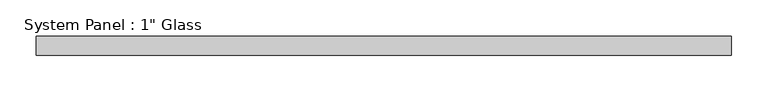
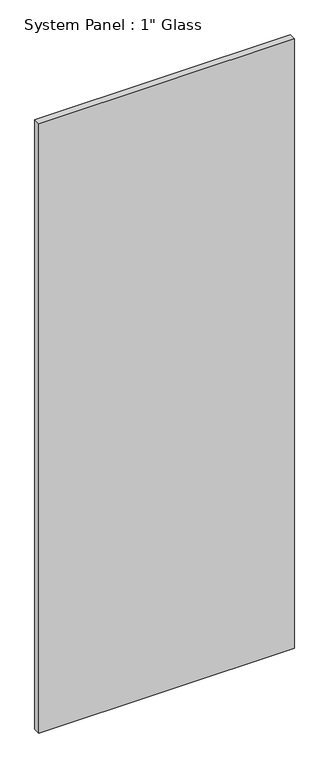
"""IFC4 building model written with IfcOpenShell, lengths in millimetres: plate geometry."""

from ifc_helpers import new_model, si_unit, origin, origin_with_axes, place, context, project, spatial, polyline, outline, extrude, source, transform, mapped, element, save


def plate_2765ec2e(model_context):
    return source(origin(), model_context, "Body", "SweptSolid", [
        extrude(outline(polyline([(476.25, -12.7), (-476.25, -12.7), (-476.25, 12.7), (476.25, 12.7), (476.25, -12.7)])), origin_with_axes(), (0.0, 0.0, 1.0), 2400.3),
    ])


if __name__ == "__main__":
    model = new_model("IFC4")
    model_context = context("Model", 3, world=origin())
    ifc_project = project(units=[si_unit("LENGTHUNIT", "METRE", prefix="MILLI")], contexts=[model_context])
    site = spatial("IfcSite", under=ifc_project)
    building = spatial("IfcBuilding", under=site)
    placement = place(None, origin())
    plate_shape = plate_2765ec2e(model_context)
    element("IfcPlate", 1, ObjectType="System Panel : 1\" Glass", at=placement, inside=building, context=model_context, shape_type="MappedRepresentation", body=[
        mapped(plate_shape, transform((0.0, 0.0, 0.0), x_axis=(1.0, 0.0, 0.0), y_axis=(0.0, 1.0, 0.0), z_axis=(0.0, 0.0, 1.0))),
    ])
    save(model, "model.ifc")
